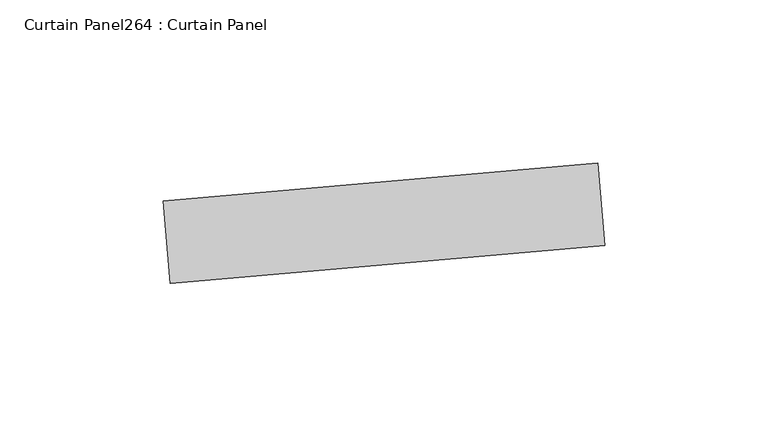
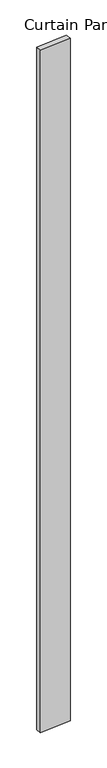
"""IFC4 building model written with IfcOpenShell, lengths in millimetres: plate geometry, Curtain Panel264 : Curtain Panel."""

import ifcopenshell
import ifcopenshell.guid

model = None  # the IFC model being written
_history = None  # IfcOwnerHistory: only IFC2X3 demands one
_inside = {}  # id of a spatial element -> (the spatial element, [elements in it])
_under = {}  # id of a project, library or spatial element -> (it, [spatial elements below it])
_declared = {}  # id of a project -> (the project, [libraries it declares])
_typed = {}  # id of a type object -> (the type object, [elements of that type])
_made_of = {}  # id of a material, layer set ... -> (it, [elements and type objects made of it])


def new_model(schema):
    """Start an empty IFC model of exactly this schema.

    Asked for "IFC4X3", IfcOpenShell would pick the latest addendum, in which some entities
    have other attributes; the version numbers below select the first issue.
    IFC2X3 requires an IfcOwnerHistory on every rooted entity: one is made here for all.
    """
    global model, _history
    if schema == "IFC4X3":
        model = ifcopenshell.file(schema_version=(4, 3, 0, 0))
    else:
        model = ifcopenshell.file(schema=schema)
    _inside.clear()
    _under.clear()
    _declared.clear()
    _typed.clear()
    _made_of.clear()
    _history = None
    if model.schema == "IFC2X3":
        org = make("IfcOrganization", Name="unknown")
        user = make(
            "IfcPersonAndOrganization",
            ThePerson=make("IfcPerson", FamilyName="unknown"),
            TheOrganization=org,
        )
        app = make(
            "IfcApplication",
            ApplicationDeveloper=org,
            Version="unknown",
            ApplicationFullName="unknown",
            ApplicationIdentifier="unknown",
        )
        _history = make(
            "IfcOwnerHistory",
            OwningUser=user,
            OwningApplication=app,
            ChangeAction="ADDED",
            CreationDate=0,
        )
    return model


def make(cls, **values):
    """One entity of the class cls with the attributes given. An attribute that is None is left unset."""
    return model.create_entity(
        cls, **{name: value for name, value in values.items() if value is not None}
    )


def rooted(cls, **values):
    """An entity with a GlobalId (a new one), such as an element, a storey or a relation."""
    return make(cls, GlobalId=ifcopenshell.guid.new(), OwnerHistory=_history, **values)


def si_unit(unit_type, name, prefix=None):
    """IfcSIUnit, for example si_unit("LENGTHUNIT", "METRE", prefix="MILLI")."""
    return make("IfcSIUnit", UnitType=unit_type, Prefix=prefix, Name=name)


def assignment(units):
    """IfcUnitAssignment: the units of a project."""
    return None if units is None else make("IfcUnitAssignment", Units=units)


def point(xyz):
    """IfcCartesianPoint."""
    return None if xyz is None else make("IfcCartesianPoint", Coordinates=xyz)


def direction(xyz):
    """IfcDirection."""
    return None if xyz is None else make("IfcDirection", DirectionRatios=xyz)


def frame(location, z_axis=None, x_axis=None):
    """IfcAxis2Placement3D, a coordinate frame: its origin and axes. An axis left out is left unset."""
    return make(
        "IfcAxis2Placement3D",
        Location=point(location),
        Axis=direction(z_axis),
        RefDirection=direction(x_axis),
    )


def origin():
    """The frame at (0, 0, 0) with its axes left unset."""
    return frame((0.0, 0.0, 0.0))


def place(relative_to, where):
    """IfcLocalPlacement: puts the frame where relative to a parent placement (None: the world)."""
    return make(
        "IfcLocalPlacement", PlacementRelTo=relative_to, RelativePlacement=where
    )


def context(
    kind, dimensions, precision=None, world=None, true_north=None, identifier=None
):
    """IfcGeometricRepresentationContext, for example the 3D "Model" context."""
    return make(
        "IfcGeometricRepresentationContext",
        ContextIdentifier=identifier,
        ContextType=kind,
        CoordinateSpaceDimension=dimensions,
        Precision=precision,
        WorldCoordinateSystem=world,
        TrueNorth=true_north,
    )


def project(units=None, contexts=None):
    """IfcProject with its units and contexts."""
    return rooted(
        "IfcProject",
        Name="project",
        RepresentationContexts=contexts,
        UnitsInContext=assignment(units),
    )


def spatial(cls, under=None, at=None, **own):
    """A site, building, storey or space (cls), placed at a placement, below another one or the project."""
    s = rooted(cls, ObjectPlacement=at, **own)
    if under is not None:
        _under.setdefault(under.id(), (under, []))[1].append(s)
    return s


def polyline(points):
    """IfcPolyline through the points."""
    return make("IfcPolyline", Points=[point(p) for p in points])


def outline(outer, holes=None, kind="AREA"):
    """IfcArbitraryClosedProfileDef: a profile drawn as a closed curve; with holes, ...WithVoids."""
    if holes is None:
        return make("IfcArbitraryClosedProfileDef", ProfileType=kind, OuterCurve=outer)
    return make(
        "IfcArbitraryProfileDefWithVoids",
        ProfileType=kind,
        OuterCurve=outer,
        InnerCurves=holes,
    )


def extrude(swept, where, along, depth):
    """IfcExtrudedAreaSolid: the profile swept, set in the frame where, extruded along a direction by depth."""
    return make(
        "IfcExtrudedAreaSolid",
        SweptArea=swept,
        Position=where,
        ExtrudedDirection=direction(along),
        Depth=depth,
    )


def shape(context_of_items, identifier, shape_type, items):
    """IfcShapeRepresentation: the items that make up one representation, for example the "Body"."""
    return make(
        "IfcShapeRepresentation",
        ContextOfItems=context_of_items,
        RepresentationIdentifier=identifier,
        RepresentationType=shape_type,
        Items=items,
    )


def source(mapping_origin, context_of_items, identifier, shape_type, items):
    """IfcRepresentationMap: a shape defined once, which mapped items show again and again."""
    return make(
        "IfcRepresentationMap",
        MappingOrigin=mapping_origin,
        MappedRepresentation=shape(context_of_items, identifier, shape_type, items),
    )


def transform(
    local_origin,
    x_axis=None,
    y_axis=None,
    z_axis=None,
    scale=None,
    scale2=None,
    scale3=None,
    uniform=True,
):
    """IfcCartesianTransformationOperator3D, or its non-uniform kind. x_axis, y_axis, z_axis: its Axis1, 2, 3."""
    if uniform:
        return make(
            "IfcCartesianTransformationOperator3D",
            Axis1=direction(x_axis),
            Axis2=direction(y_axis),
            LocalOrigin=point(local_origin),
            Scale=scale,
            Axis3=direction(z_axis),
        )
    return make(
        "IfcCartesianTransformationOperator3DnonUniform",
        Axis1=direction(x_axis),
        Axis2=direction(y_axis),
        LocalOrigin=point(local_origin),
        Scale=scale,
        Axis3=direction(z_axis),
        Scale2=scale2,
        Scale3=scale3,
    )


def mapped(mapping_source, mapping_target):
    """IfcMappedItem: shows the shape of a source again, moved by a transform."""
    return make(
        "IfcMappedItem", MappingSource=mapping_source, MappingTarget=mapping_target
    )


def made_of(thing, what):
    """Note that an element or type object is made of a material, layer set ...; save() writes the relation."""
    if what is not None:
        _made_of.setdefault(what.id(), (what, []))[1].append(thing)
    return thing


def element(
    cls,
    number,
    at=None,
    inside=None,
    cuts=None,
    type_object=None,
    material=None,
    context=None,
    identifier="Body",
    shape_type=None,
    held_by="IfcProductDefinitionShape",
    body=None,
    shapes=None,
    **own,
):
    """One element of the class cls, such as IfcWall. Its Tag is "e" and its number.

    at: its placement. inside: the storey or other place that contains it. cuts: it is an
    opening in that element (IfcRelVoidsElement). A single representation is given by context,
    identifier, shape_type and body (its items); several are given by shapes. held_by: the class
    of the entity that holds the representations. save() writes the other relations.
    """
    e = rooted(cls, Tag="e%d" % number, ObjectPlacement=at, **own)
    if body is not None:
        shapes = [shape(context, identifier, shape_type, body)]
    if shapes is not None:
        e.Representation = make(held_by, Representations=shapes)
    if inside is not None:
        _inside.setdefault(inside.id(), (inside, []))[1].append(e)
    if cuts is not None:
        rooted(
            "IfcRelVoidsElement", RelatingBuildingElement=cuts, RelatedOpeningElement=e
        )
    if type_object is not None:
        _typed.setdefault(type_object.id(), (type_object, []))[1].append(e)
    return made_of(e, material)


def aggregate(whole, parts):
    """IfcRelAggregates: a whole, such as a stair, and the parts it consists of."""
    return rooted("IfcRelAggregates", RelatingObject=whole, RelatedObjects=parts)


def save(model, path):
    """Write the relations noted so far, then the file.

    IfcRelAggregates (storeys below a building ...), IfcRelContainedInSpatialStructure (elements
    in a storey), IfcRelDefinesByType, IfcRelAssociatesMaterial and IfcRelDeclares: one each for
    every whole, place, type object, material and project.
    """
    for whole, parts in _under.values():
        aggregate(whole, parts)
    for where, things in _inside.values():
        rooted(
            "IfcRelContainedInSpatialStructure",
            RelatedElements=things,
            RelatingStructure=where,
        )
    for kind, things in _typed.values():
        rooted("IfcRelDefinesByType", RelatedObjects=things, RelatingType=kind)
    for what, things in _made_of.values():
        rooted("IfcRelAssociatesMaterial", RelatedObjects=things, RelatingMaterial=what)
    for by, libraries in _declared.values():
        rooted("IfcRelDeclares", RelatingContext=by, RelatedDefinitions=libraries)
    model.write(path)


def curtain_panel264_curtain_panel_3d138597(model_context):
    return source(origin(), model_context, "Body", "SweptSolid", [
        extrude(outline(polyline([(640278.7200029, 2231.1957614), (640412.0201508, 2242.8580131), (640414.2339066, 2217.5546678), (640280.9337588, 2205.892416), (640278.7200029, 2231.1957614)])), frame((0.0, 0.0, 4959.7989371), z_axis=(0.0, 0.0, 1.0), x_axis=(1.0, 0.0, 0.0)), (0.0, 0.0, 1.0), 3048.0),
    ])


if __name__ == "__main__":
    model = new_model("IFC4")
    model_context = context("Model", 3, world=origin())
    ifc_project = project(units=[si_unit("LENGTHUNIT", "METRE", prefix="MILLI")], contexts=[model_context])
    site = spatial("IfcSite", under=ifc_project)
    building = spatial("IfcBuilding", under=site)
    placement = place(None, origin())
    curtain_panel264_curtain_panel_shape = curtain_panel264_curtain_panel_3d138597(model_context)
    element("IfcPlate", 1, ObjectType="Curtain Panel264 : Curtain Panel", at=placement, inside=building, context=model_context, shape_type="MappedRepresentation", body=[
        mapped(curtain_panel264_curtain_panel_shape, transform((0.0, 0.0, 0.0), x_axis=(1.0, 0.0, 0.0), y_axis=(0.0, 1.0, 0.0), z_axis=(0.0, 0.0, 1.0))),
    ])
    save(model, "model.ifc")
